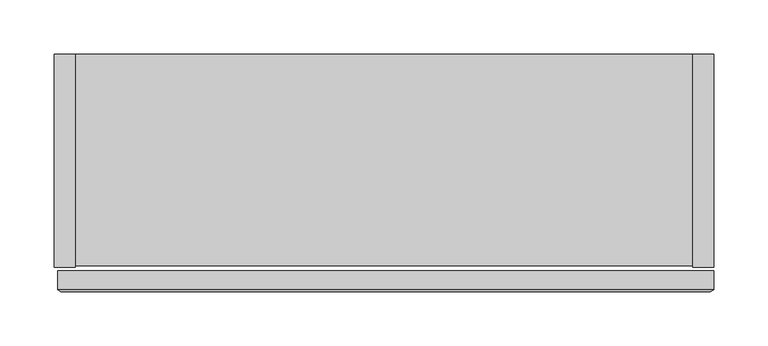
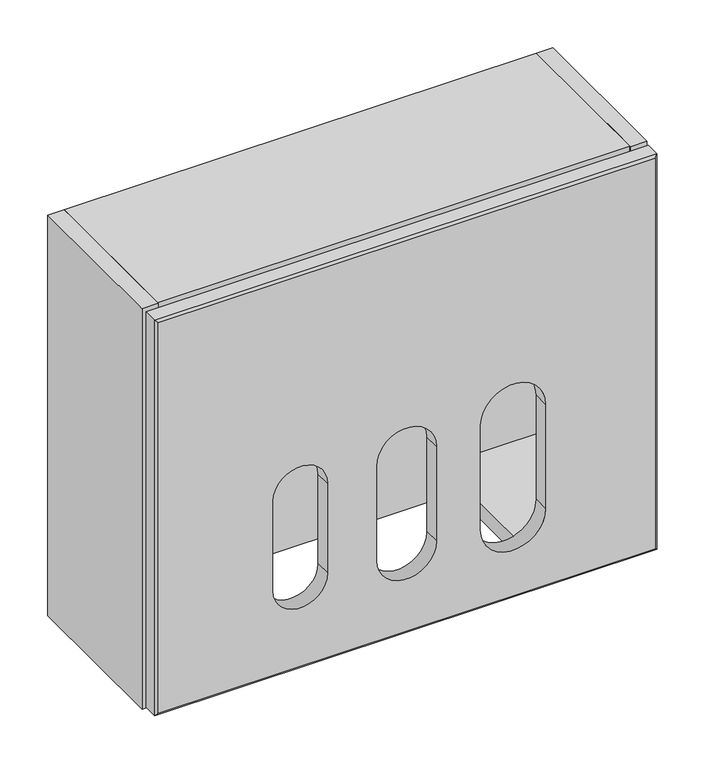
"""IFC4 building model written with IfcOpenShell, lengths in millimetres: furniture geometry."""

from ifc_helpers import new_model, si_unit, frame, origin, place, context, project, spatial, polyline, circle_curve, outline, extrude, source, transform, mapped, element, save
from ifc_brep_helpers import plane_surface, revolved_surface, advanced_brep


def furniture_df81d509(model_context):
    return source(origin(), model_context, "Body", "SolidModel", [
        extrude(outline(polyline([(-437.6428362, 90.2328644), (-311.6834, 90.2328644), (-311.6834, -85.5446699), (-437.6428362, -85.5446699), (-437.6428362, 90.2328644)])), frame((0.0, 0.0, 1647.6464011), z_axis=(0.0, 0.0, 1.0), x_axis=(1.0, 0.0, 0.0)), (0.0, 0.0, 1.0), 19.5572001),
        extrude(outline(polyline([(6.8834, 90.2328644), (132.8428362, 90.2328644), (132.8428362, -85.5446699), (6.8834, -85.5446699), (6.8834, 90.2328644)])), frame((0.0, 0.0, 1647.6464011), z_axis=(0.0, 0.0, 1.0), x_axis=(1.0, 0.0, 0.0)), (0.0, 0.0, 1.0), 19.5572001),
        advanced_brep(
        [(-450.8501575, -109.7931898, 2130.3558133), (-450.8501575, -109.7931898, 1632.1541418), (149.2248425, -109.7931898, 1632.1541418), (149.2248425, -109.7931898, 2130.3558133), (-186.8350798, -109.7931898, 1855.1765631), (-114.7902351, -109.7931898, 1855.1765631), (-114.7902351, -109.7931898, 1734.5265631), (-186.8350798, -109.7931898, 1734.5265631), (-246.3154511, -109.7931898, 1739.7245017), (-312.1772377, -109.7931898, 1739.7245017), (-312.1772377, -109.7931898, 1854.0245017), (-246.3154511, -109.7931898, 1854.0245017), (16.923821, -109.7931898, 1729.4801052), (-61.5708063, -109.7931898, 1729.4801052), (-61.5708063, -109.7931898, 1862.8301052), (16.923821, -109.7931898, 1862.8301052), (-454.0251575, -107.9688826, 2133.5272767), (-454.0251575, -107.9688826, 1628.9857669), (152.3998425, -107.9688826, 1628.9857669), (152.3998425, -107.9688826, 2133.5272767), (-114.7902351, -90.2351898, 1855.1765631), (-186.8350798, -90.2351898, 1855.1765631), (-186.8350798, -90.2351898, 1734.5265631), (-114.7902351, -90.2351898, 1734.5265631), (-312.1772377, -90.2351898, 1739.7245017), (-246.3154511, -90.2351898, 1739.7245017), (-312.1772377, -90.2350813, 1854.0245017), (-246.3154511, -90.2350813, 1854.0245017), (-61.5708063, -90.2351898, 1729.4801052), (16.923821, -90.2351898, 1729.4801052), (-61.5708063, -90.2350813, 1862.8301052), (16.923821, -90.2350813, 1862.8301052), (152.3998425, -90.2350813, 1628.9857669), (152.3998425, -90.2350813, 2133.5272767), (-454.0251575, -90.2350813, 2133.5272767), (-454.0251575, -90.2350813, 1628.9857669)],
        [
            (0, 1),
            (1, 2),
            (2, 3),
            (3, 0),
            (4, 5, circle_curve(frame((-150.8126575, -109.7931898, 1855.1765631), z_axis=(0.0, 1.0, 0.0), x_axis=(-1.0, 0.0, 0.0)), 36.0224224)),
            (5, 6),
            (6, 7, circle_curve(frame((-150.8126575, -109.7931898, 1734.5265631), z_axis=(0.0, 1.0, 0.0), x_axis=(-1.0, 0.0, 0.0)), 36.0224224)),
            (7, 4),
            (8, 9, circle_curve(frame((-279.2463444, -109.7931898, 1739.7245017), z_axis=(0.0, 1.0, 0.0), x_axis=(-1.0, 0.0, 0.0)), 32.9308933)),
            (9, 10),
            (10, 11, circle_curve(frame((-279.2463444, -109.7931898, 1854.0245017), z_axis=(0.0, 1.0, 0.0), x_axis=(-1.0, 0.0, 0.0)), 32.9308933)),
            (11, 8),
            (12, 13, circle_curve(frame((-22.3234927, -109.7931898, 1729.4801052), z_axis=(0.0, 1.0, 0.0), x_axis=(-1.0, 0.0, 0.0)), 39.2473137)),
            (13, 14),
            (14, 15, circle_curve(frame((-22.3234927, -109.7931898, 1862.8301052), z_axis=(0.0, 1.0, 0.0), x_axis=(-1.0, 0.0, 0.0)), 39.2473137)),
            (15, 12),
            (0, 16),
            (16, 17),
            (17, 1),
            (17, 18),
            (18, 2),
            (18, 19),
            (19, 3),
            (19, 16),
            (20, 5),
            (4, 21),
            (21, 20, circle_curve(frame((-150.8126575, -90.2350813, 1855.1765631), z_axis=(0.0, 1.0, 0.0), x_axis=(-1.0, 0.0, 0.0)), 36.0224224)),
            (7, 22),
            (22, 21),
            (6, 23),
            (23, 22, circle_curve(frame((-150.8126575, -90.2350813, 1734.5265631), z_axis=(0.0, 1.0, 0.0), x_axis=(-1.0, 0.0, 0.0)), 36.0224224)),
            (20, 23),
            (24, 9),
            (8, 25),
            (25, 24, circle_curve(frame((-279.2463444, -90.2350813, 1739.7245017), z_axis=(0.0, 1.0, 0.0), x_axis=(-1.0, 0.0, 0.0)), 32.9308933)),
            (24, 26),
            (26, 10),
            (26, 27, circle_curve(frame((-279.2463444, -90.2350813, 1854.0245017), z_axis=(0.0, 1.0, 0.0), x_axis=(-1.0, 0.0, 0.0)), 32.9308933)),
            (27, 11),
            (27, 25),
            (28, 13),
            (12, 29),
            (29, 28, circle_curve(frame((-22.3234927, -90.2350813, 1729.4801052), z_axis=(0.0, 1.0, 0.0), x_axis=(-1.0, 0.0, 0.0)), 39.2473137)),
            (28, 30),
            (30, 14),
            (30, 31, circle_curve(frame((-22.3234927, -90.2350813, 1862.8301052), z_axis=(0.0, 1.0, 0.0), x_axis=(-1.0, 0.0, 0.0)), 39.2473137)),
            (31, 15),
            (31, 29),
            (18, 32),
            (32, 33),
            (33, 19),
            (16, 34),
            (34, 35),
            (35, 17),
            (35, 32),
            (34, 33),
        ],
        [
            plane_surface(frame((-150.8126575, -109.7931898, 1881.2549776), z_axis=(0.0, -1.0, 0.0), x_axis=(0.0, 0.0, -1.0))),
            plane_surface(frame((-454.0251575, -107.9688826, 1881.2565218), z_axis=(-0.4982006522762486, -0.8670617683138384, 0.0), x_axis=(0.0, 0.0, -1.0))),
            plane_surface(frame((-150.8126575, -107.9688826, 1628.9857669), z_axis=(0.0, -0.8666116478902123, -0.49898321789516215), x_axis=(1.0, 0.0, 0.0))),
            plane_surface(frame((152.3998425, -107.9688826, 1881.2565218), z_axis=(0.4982006522763809, -0.8670617683137625, 0.0), x_axis=(0.0, 0.0, 1.0))),
            plane_surface(frame((-150.8126575, -107.9688826, 2133.5272767), z_axis=(0.0, -0.8668217483884806, 0.49861814700303253), x_axis=(-1.0, 0.0, 0.0))),
            revolved_surface(polyline([(-186.8350799, -90.2350813, 1855.1765631), (-186.8350799, -109.7931898, 1855.1765631)]), (-150.8126575, -109.7931898, 1855.1765631), (0.0, 1.0, 0.0)),
            plane_surface(frame((-186.8350798, -90.2351898, 1734.5265631), z_axis=(1.0, 0.0, 0.0), x_axis=(0.0, -1.0, 0.0))),
            revolved_surface(polyline([(-186.8350799, -90.2350813, 1734.5265631), (-186.8350799, -109.7931898, 1734.5265631)]), (-150.8126575, -109.7931898, 1734.5265631), (0.0, 1.0, 0.0)),
            plane_surface(frame((-114.7902351, -90.2351898, 1855.1765631), z_axis=(-1.0, 0.0, 0.0), x_axis=(0.0, -1.0, 0.0))),
            revolved_surface(polyline([(-312.1772377, -90.2350813, 1739.7245017), (-312.1772377, -109.7931898, 1739.7245017)]), (-279.2463444, -90.2351898, 1739.7245017), (0.0, 1.0, 0.0)),
            plane_surface(frame((-312.1772377, -90.2351898, 1739.7245017), z_axis=(1.0, 0.0, 0.0), x_axis=(0.0, -1.0, 0.0))),
            revolved_surface(polyline([(-312.1772377, -90.2350813, 1854.0245017), (-312.1772377, -109.7931898, 1854.0245017)]), (-279.2463444, -90.2351898, 1854.0245017), (0.0, 1.0, 0.0)),
            plane_surface(frame((-246.3154511, -90.2351898, 1854.0245017), z_axis=(-1.0, 0.0, 0.0), x_axis=(0.0, -1.0, 0.0))),
            revolved_surface(polyline([(-61.570806399999995, -90.2350813, 1729.4801052), (-61.570806399999995, -109.7931898, 1729.4801052)]), (-22.3234927, -90.2351898, 1729.4801052), (0.0, 1.0, 0.0)),
            plane_surface(frame((-61.5708063, -90.2351898, 1729.4801052), z_axis=(1.0, 0.0, 0.0), x_axis=(0.0, -1.0, 0.0))),
            revolved_surface(polyline([(-61.570806399999995, -90.2350813, 1862.8301052), (-61.570806399999995, -109.7931898, 1862.8301052)]), (-22.3234927, -90.2351898, 1862.8301052), (0.0, 1.0, 0.0)),
            plane_surface(frame((16.923821, -90.2351898, 1862.8301052), z_axis=(-1.0, 0.0, 0.0), x_axis=(0.0, -1.0, 0.0))),
            plane_surface(frame((152.3998425, -107.9688826, 2133.5272767), z_axis=(1.0, 0.0, 0.0), x_axis=(0.0, 0.0, -1.0))),
            plane_surface(frame((-454.0251575, -107.9688826, 2133.5272767), z_axis=(-1.0, 0.0, 0.0), x_axis=(0.0, 0.0, 1.0))),
            plane_surface(frame((152.3998425, -107.9688826, 1628.9857669), z_axis=(0.0, 0.0, -1.0), x_axis=(-1.0, 0.0, 0.0))),
            plane_surface(frame((152.3998425, -90.2350813, 1628.9857669), z_axis=(0.0, 1.0, 0.0), x_axis=(-1.0, 0.0, 0.0))),
            plane_surface(frame((152.3998425, -90.2350813, 2133.5272767), z_axis=(0.0, 0.0, 1.0), x_axis=(-1.0, 0.0, 0.0))),
        ],
        [
            (0, [[1, 2, 3, 4], [5, 6, 7, 8], [9, 10, 11, 12], [13, 14, 15, 16]]),
            (1, [[-1, 17, 18, 19]]),
            (2, [[-2, -19, 20, 21]]),
            (3, [[-3, -21, 22, 23]]),
            (4, [[-4, -23, 24, -17]]),
            (5, [[25, -5, 26, 27]]),
            (6, [[-26, -8, 28, 29]]),
            (7, [[-28, -7, 30, 31]]),
            (8, [[-25, 32, -30, -6]]),
            (9, [[33, -9, 34, 35]]),
            (10, [[-33, 36, 37, -10]]),
            (11, [[-37, 38, 39, -11]]),
            (12, [[-34, -12, -39, 40]]),
            (13, [[41, -13, 42, 43]]),
            (14, [[-41, 44, 45, -14]]),
            (15, [[-45, 46, 47, -15]]),
            (16, [[-42, -16, -47, 48]]),
            (17, [[49, 50, 51, -22]]),
            (18, [[52, 53, 54, -18]]),
            (19, [[-49, -20, -54, 55]]),
            (20, [[-50, -55, -53, 56], [-27, -29, -31, -32], [-35, -40, -38, -36], [-43, -48, -46, -44]]),
            (21, [[-51, -56, -52, -24]]),
        ],
    ),
        extrude(outline(polyline([(132.8428362, 109.7898102), (132.8428362, 90.2328644), (-437.6428362, 90.2328644), (-437.6428362, 109.7898102), (132.8428362, 109.7898102)])), frame((0.0, 0.0, 1625.803294), z_axis=(0.0, 0.0, 1.0), x_axis=(1.0, 0.0, 0.0)), (0.0, 0.0, 1.0), 491.3434056),
        extrude(outline(polyline([(-457.2, 109.7898102), (-437.6428362, 109.7898102), (-437.6428362, -87.0689955), (-457.2, -87.0689955), (-457.2, 109.7898102)])), frame((0.0, 0.0, 1625.803294), z_axis=(0.0, 0.0, 1.0), x_axis=(1.0, 0.0, 0.0)), (0.0, 0.0, 1.0), 510.9005875),
        extrude(outline(polyline([(132.8428362, 109.7898102), (152.4, 109.7898102), (152.4, -87.0689955), (132.8428362, -87.0689955), (132.8428362, 109.7898102)])), frame((0.0, 0.0, 1625.803294), z_axis=(0.0, 0.0, 1.0), x_axis=(1.0, 0.0, 0.0)), (0.0, 0.0, 1.0), 510.9005875),
        extrude(outline(polyline([(132.8428362, 109.7898102), (132.8428362, -85.5446699), (-437.6428362, -85.5446699), (-437.6428362, 109.7898102), (132.8428362, 109.7898102)])), frame((0.0, 0.0, 2117.1466995), z_axis=(0.0, 0.0, 1.0), x_axis=(1.0, 0.0, 0.0)), (0.0, 0.0, 1.0), 19.557182),
    ])


if __name__ == "__main__":
    model = new_model("IFC4")
    model_context = context("Model", 3, world=origin())
    ifc_project = project(units=[si_unit("LENGTHUNIT", "METRE", prefix="MILLI")], contexts=[model_context])
    site = spatial("IfcSite", under=ifc_project)
    building = spatial("IfcBuilding", under=site)
    placement = place(None, origin())
    furniture_shape = furniture_df81d509(model_context)
    element("IfcFurniture", 1, at=placement, inside=building, context=model_context, shape_type="MappedRepresentation", body=[
        mapped(furniture_shape, transform((0.0, 0.0, 0.0), x_axis=(1.0, 0.0, 0.0), y_axis=(0.0, 1.0, 0.0), z_axis=(0.0, 0.0, 1.0))),
    ])
    save(model, "model.ifc")
